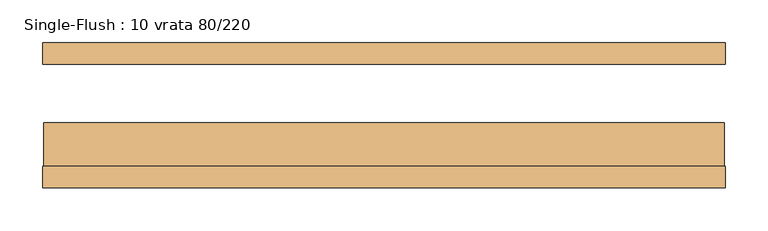
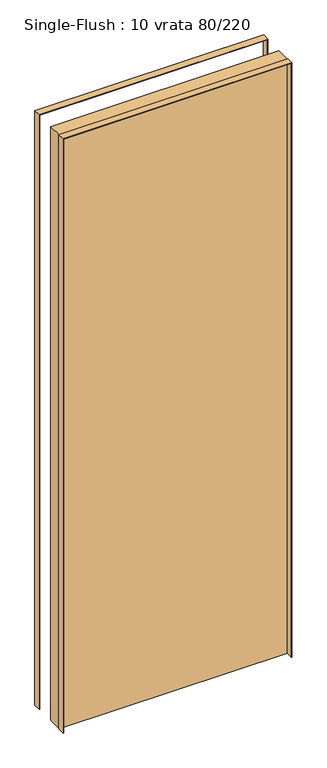
"""IFC4 building model written with IfcOpenShell, lengths in millimetres: door geometry, Single-Flush : 10 vrata 80/220."""

from ifc_helpers import new_model, si_unit, frame, origin, origin_with_axes, place, context, project, spatial, polyline, outline, extrude, source, transform, mapped, element, save


def single_flush_10_vrata_80_220_7013544c(model_context):
    return source(origin(), model_context, "Body", "SweptSolid", [
        extrude(outline(polyline([(2201.5875, -401.5875), (0.0, -401.5875), (0.0, -400.0), (2200.0, -400.0), (2200.0, 400.0), (0.0, 400.0), (0.0, 401.5875), (2201.5875, 401.5875), (2201.5875, -401.5875)])), frame((0.0, -85.4, 0.0), z_axis=(0.0, 1.0, 0.0), x_axis=(0.0, 0.0, 1.0)), (0.0, 0.0, 1.0), 25.4),
        extrude(outline(polyline([(2201.5875, 401.5875), (2201.5875, -401.5875), (0.0, -401.5875), (0.0, -400.0), (2200.0, -400.0), (2200.0, 400.0), (0.0, 400.0), (0.0, 401.5875), (2201.5875, 401.5875)])), frame((0.0, 60.0, 0.0), z_axis=(0.0, 1.0, 0.0), x_axis=(0.0, 0.0, 1.0)), (0.0, 0.0, 1.0), 25.4),
        extrude(outline(polyline([(400.0, -9.2), (400.0, -60.0), (-400.0, -60.0), (-400.0, -9.2), (400.0, -9.2)])), origin_with_axes(), (0.0, 0.0, 1.0), 2200.0),
    ])


if __name__ == "__main__":
    model = new_model("IFC4")
    model_context = context("Model", 3, world=origin())
    ifc_project = project(units=[si_unit("LENGTHUNIT", "METRE", prefix="MILLI")], contexts=[model_context])
    site = spatial("IfcSite", under=ifc_project)
    building = spatial("IfcBuilding", under=site)
    placement = place(None, origin())
    single_flush_10_vrata_80_220_shape = single_flush_10_vrata_80_220_7013544c(model_context)
    element("IfcDoor", 1, ObjectType="Single-Flush : 10 vrata 80/220", at=placement, inside=building, context=model_context, shape_type="MappedRepresentation", body=[
        mapped(single_flush_10_vrata_80_220_shape, transform((0.0, 0.0, 0.0), x_axis=(1.0, 0.0, 0.0), y_axis=(0.0, 1.0, 0.0), z_axis=(0.0, 0.0, 1.0))),
    ])
    save(model, "model.ifc")
